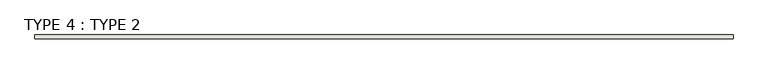
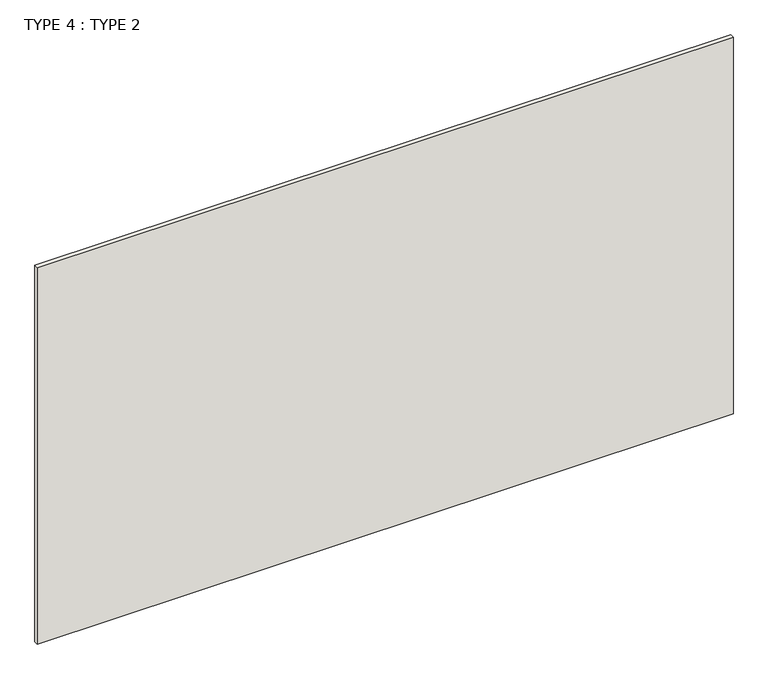
"""IFC4 building model written with IfcOpenShell, lengths in millimetres: wall geometry, TYPE 4 : TYPE 2."""

from ifc_helpers import new_model, si_unit, origin, origin_with_axes, place, context, project, spatial, polyline, outline, extrude, source, transform, mapped, element, save


def type_4_type_2_d038782e(model_context):
    return source(origin(), model_context, "Body", "SweptSolid", [
        extrude(outline(polyline([(-915.9440345, 25927.840365), (-915.9440345, 25978.640365), (8532.8559655, 25978.640365), (8532.8559655, 25927.840365), (-915.9440345, 25927.840365)])), origin_with_axes(), (0.0, 0.0, 1.0), 5403.85),
    ])


if __name__ == "__main__":
    model = new_model("IFC4")
    model_context = context("Model", 3, world=origin())
    ifc_project = project(units=[si_unit("LENGTHUNIT", "METRE", prefix="MILLI")], contexts=[model_context])
    site = spatial("IfcSite", under=ifc_project)
    building = spatial("IfcBuilding", under=site)
    placement = place(None, origin())
    type_4_type_2_shape = type_4_type_2_d038782e(model_context)
    element("IfcWall", 1, ObjectType="TYPE 4 : TYPE 2", at=placement, inside=building, context=model_context, shape_type="MappedRepresentation", body=[
        mapped(type_4_type_2_shape, transform((0.0, 0.0, 0.0), x_axis=(1.0, 0.0, 0.0), y_axis=(0.0, 1.0, 0.0), z_axis=(0.0, 0.0, 1.0))),
    ])
    save(model, "model.ifc")
